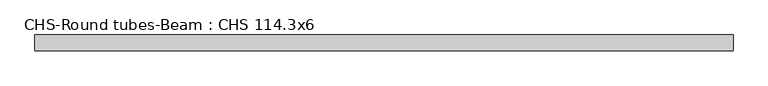
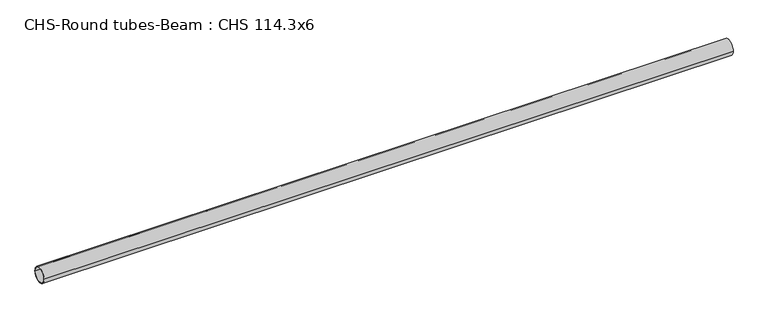
"""IFC4 building model written with IfcOpenShell, lengths in millimetres: beam geometry, CHS-Round tubes-Beam : CHS 114.3x6."""

from ifc_helpers import new_model, si_unit, point, frame, origin, origin_2d, place, context, project, spatial, circle_curve, trimmed, segment, composite_curve, outline, extrude, source, transform, mapped, element, save


def chs_round_tubes_beam_chs_114_3x6_b6fca522(model_context):
    return source(origin(), model_context, "Body", "SweptSolid", [
        extrude(outline(composite_curve([segment(trimmed(circle_curve(origin_2d(), 57.15), [point((57.15, 0.0))], [point((-57.15, 0.0))], False, "CARTESIAN"), True, "CONTINUOUS"), segment(trimmed(circle_curve(origin_2d(), 57.15), [point((-57.15, 0.0))], [point((57.15, 0.0))], False, "CARTESIAN"), True, "CONTINUOUS")], self_intersect=False), holes=[composite_curve([segment(trimmed(circle_curve(origin_2d(), 51.15), [point((51.15, 0.0))], [point((-51.15, 0.0))], True, "CARTESIAN"), True, "CONTINUOUS"), segment(trimmed(circle_curve(origin_2d(), 51.15), [point((-51.15, 0.0))], [point((51.15, 0.0))], True, "CARTESIAN"), True, "CONTINUOUS")], self_intersect=False)]), frame((-2555.3260691, 0.0, 0.0), z_axis=(1.0, 0.0, 0.0), x_axis=(0.0, 1.0, 0.0)), (0.0, 0.0, 1.0), 5051.3662238),
    ])


if __name__ == "__main__":
    model = new_model("IFC4")
    model_context = context("Model", 3, world=origin())
    ifc_project = project(units=[si_unit("LENGTHUNIT", "METRE", prefix="MILLI")], contexts=[model_context])
    site = spatial("IfcSite", under=ifc_project)
    building = spatial("IfcBuilding", under=site)
    placement = place(None, origin())
    chs_round_tubes_beam_chs_114_3x6_shape = chs_round_tubes_beam_chs_114_3x6_b6fca522(model_context)
    element("IfcBeam", 1, ObjectType="CHS-Round tubes-Beam : CHS 114.3x6", at=placement, inside=building, context=model_context, shape_type="MappedRepresentation", body=[
        mapped(chs_round_tubes_beam_chs_114_3x6_shape, transform((0.0, 0.0, 0.0), x_axis=(1.0, 0.0, 0.0), y_axis=(0.0, 1.0, 0.0), z_axis=(0.0, 0.0, 1.0))),
    ])
    save(model, "model.ifc")
